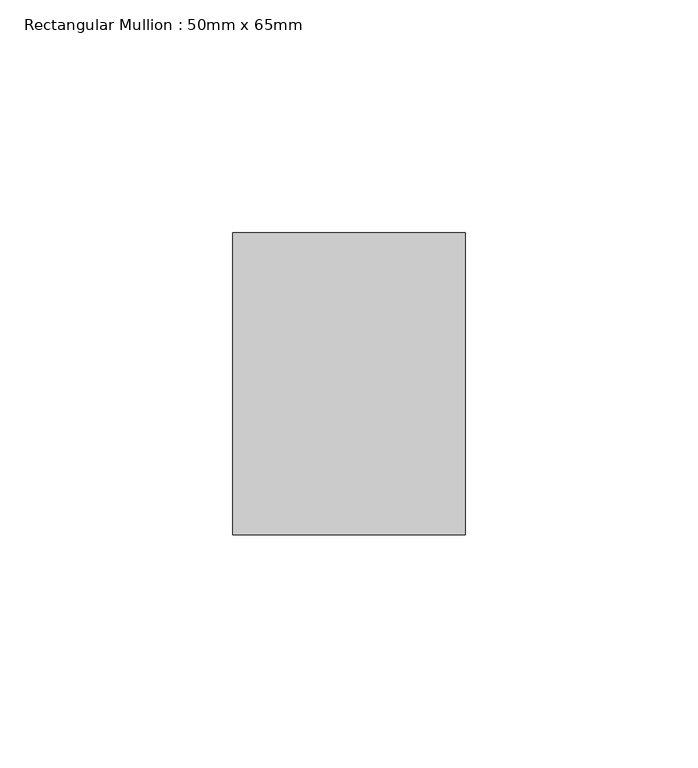
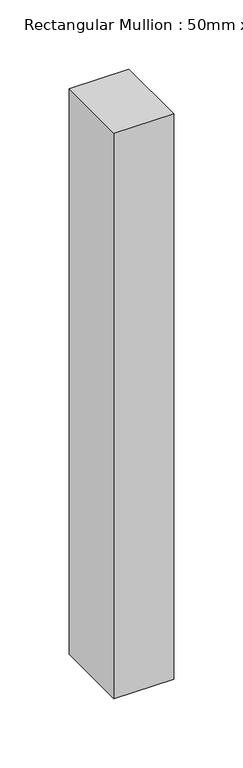
"""IFC4 building model written with IfcOpenShell, lengths in millimetres: member geometry, Rectangular Mullion : 50mm x 65mm."""

from ifc_helpers import new_model, si_unit, frame, origin, place, context, project, spatial, polyline, outline, extrude, source, transform, mapped, element, save


def rectangular_mullion_50mm_x_65mm_04c907cc(model_context):
    return source(origin(), model_context, "Body", "SweptSolid", [
        extrude(outline(polyline([(0.0, 32.5), (0.0, -32.5), (-50.0, -32.5), (-50.0, 32.5), (0.0, 32.5)])), frame((0.0, 0.0, -500.0), z_axis=(0.0, 0.0, 1.0), x_axis=(1.0, 0.0, 0.0)), (0.0, 0.0, 1.0), 500.0),
    ])


if __name__ == "__main__":
    model = new_model("IFC4")
    model_context = context("Model", 3, world=origin())
    ifc_project = project(units=[si_unit("LENGTHUNIT", "METRE", prefix="MILLI")], contexts=[model_context])
    site = spatial("IfcSite", under=ifc_project)
    building = spatial("IfcBuilding", under=site)
    placement = place(None, origin())
    rectangular_mullion_50mm_x_65mm_shape = rectangular_mullion_50mm_x_65mm_04c907cc(model_context)
    element("IfcMember", 1, ObjectType="Rectangular Mullion : 50mm x 65mm", at=placement, inside=building, context=model_context, shape_type="MappedRepresentation", body=[
        mapped(rectangular_mullion_50mm_x_65mm_shape, transform((0.0, 0.0, 0.0), x_axis=(1.0, 0.0, 0.0), y_axis=(0.0, 1.0, 0.0), z_axis=(0.0, 0.0, 1.0))),
    ])
    save(model, "model.ifc")
